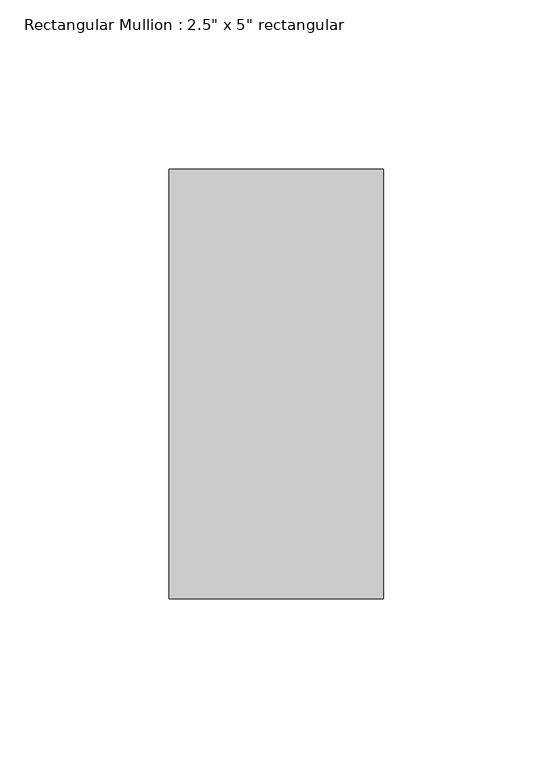
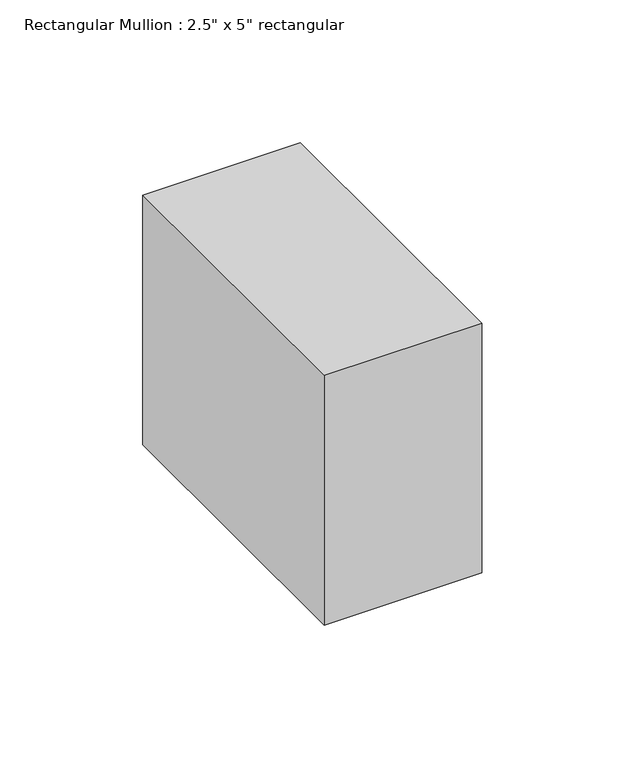
"""IFC4 building model written with IfcOpenShell, lengths in millimetres: member geometry."""

from ifc_helpers import new_model, si_unit, frame, origin, place, context, project, spatial, polyline, outline, extrude, source, transform, mapped, element, save


def member_ddcbd017(model_context):
    return source(origin(), model_context, "Body", "SweptSolid", [
        extrude(outline(polyline([(31.75, 63.5), (31.75, -63.5), (-31.75, -63.5), (-31.75, 63.5), (31.75, 63.5)])), frame((0.0, 0.0, -106.6126501), z_axis=(0.0, 0.0, 1.0), x_axis=(1.0, 0.0, 0.0)), (0.0, 0.0, 1.0), 106.6126501),
    ])


if __name__ == "__main__":
    model = new_model("IFC4")
    model_context = context("Model", 3, world=origin())
    ifc_project = project(units=[si_unit("LENGTHUNIT", "METRE", prefix="MILLI")], contexts=[model_context])
    site = spatial("IfcSite", under=ifc_project)
    building = spatial("IfcBuilding", under=site)
    placement = place(None, origin())
    member_shape = member_ddcbd017(model_context)
    element("IfcMember", 1, ObjectType="Rectangular Mullion : 2.5\" x 5\" rectangular", at=placement, inside=building, context=model_context, shape_type="MappedRepresentation", body=[
        mapped(member_shape, transform((0.0, 0.0, 0.0), x_axis=(1.0, 0.0, 0.0), y_axis=(0.0, 1.0, 0.0), z_axis=(0.0, 0.0, 1.0))),
    ])
    save(model, "model.ifc")
